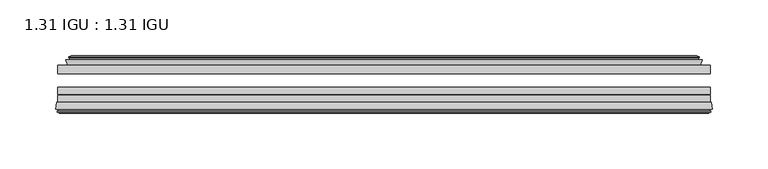
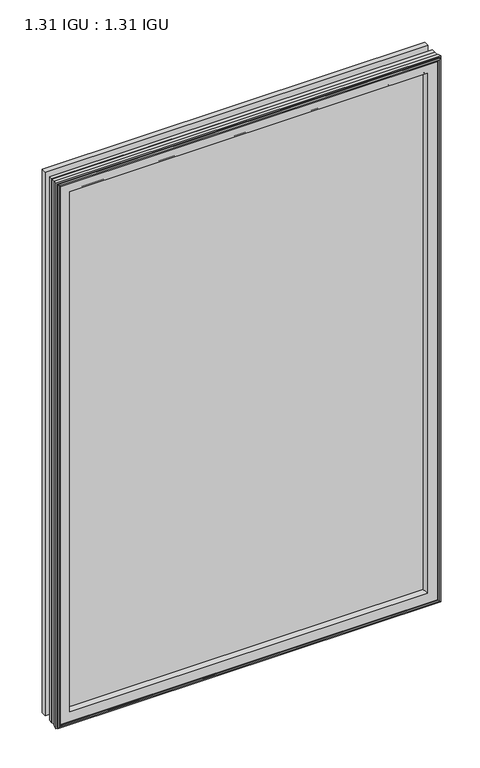
"""IFC4 building model written with IfcOpenShell, lengths in millimetres: plate geometry, 1.31 IGU : 1.31 IGU."""

from ifc_helpers import new_model, si_unit, frame, origin, place, context, project, spatial, polyline, ellipse_curve, outline, extrude, faceted_brep, source, transform, mapped, element, save
from ifc_brep_helpers import plane_surface, revolved_surface, advanced_brep


def plate_1_31_igu_1_31_igu_6c1cfb9a(model_context):
    return source(origin(), model_context, "Body", "SolidModel", [
        extrude(outline(polyline([(292.1, -17.9712937), (292.1, -25.8960937), (-292.1, -25.8960937), (-292.1, -17.9712937), (292.1, -17.9712937)])), frame((0.0, 0.0, -19.05), z_axis=(0.0, 0.0, 1.0), x_axis=(1.0, 0.0, 0.0)), (0.0, 0.0, 1.0), 876.3),
        extrude(outline(polyline([(-292.1, -51.2960937), (-292.1, -44.9460937), (292.1, -44.9460937), (292.1, -51.2960937), (-292.1, -51.2960937)])), frame((0.0, 0.0, -19.05), z_axis=(0.0, 0.0, 1.0), x_axis=(1.0, 0.0, 0.0)), (0.0, 0.0, 1.0), 876.3),
        extrude(outline(polyline([(-292.1, -44.1586938), (-292.1, -37.8086938), (292.1, -37.8086938), (292.1, -44.1586938), (-292.1, -44.1586938)])), frame((0.0, 0.0, -19.05), z_axis=(0.0, 0.0, 1.0), x_axis=(1.0, 0.0, 0.0)), (0.0, 0.0, 1.0), 876.3),
        faceted_brep([(-283.1814005, -17.9712937, 848.3314005), (-284.8256337, -13.1960937, 849.9756337), (-284.8256337, -13.1960937, -11.7756337), (-283.1814005, -17.9712937, -10.1314005), (-273.5707, -13.1960937, 838.7207), (-272.4012695, -17.9712937, 837.5512695), (-272.4012695, -17.9712937, 0.6487305), (-273.5707, -13.1960937, -0.5207), (-279.1354203, -10.902778, 844.2854203), (-278.5209281, -13.1960937, 843.6709281), (-278.5209281, -13.1960937, -5.4709281), (-279.1354203, -10.902778, -6.0854203), (-277.7431709, -11.27583, 842.8931709), (-277.7431709, -11.27583, -4.6931709), (-277.5118537, -10.4125422, 842.6618537), (-277.5118537, -10.4125422, -4.4618537), (-279.9207, -9.7670937, 845.0707), (-279.9207, -9.7670937, -6.8707), (-282.3295463, -10.4125422, 847.4795463), (-282.3295463, -10.4125422, -9.2795463), (-282.0982291, -11.27583, 847.2482291), (-282.0982291, -11.27583, -9.0482291), (-280.7114014, -10.9042307, 845.8614014), (-280.7114014, -10.9042307, -7.6614014), (-281.4560729, -13.1960937, 846.6060729), (-281.4560729, -13.1960937, -8.4060729), (284.8256337, -13.1960937, -11.7756337), (283.1814005, -17.9712937, -10.1314005), (272.4012695, -17.9712937, 0.6487305), (273.5707, -13.1960937, -0.5207), (278.5209281, -13.1960937, -5.4709281), (279.1354203, -10.902778, -6.0854203), (277.7431709, -11.27583, -4.6931709), (277.5118537, -10.4125422, -4.4618537), (279.9207, -9.7670937, -6.8707), (282.3295463, -10.4125422, -9.2795463), (282.0982291, -11.27583, -9.0482291), (280.7114014, -10.9042307, -7.6614014), (281.4560729, -13.1960937, -8.4060729), (284.8256337, -13.1960937, 849.9756337), (283.1814005, -17.9712937, 848.3314005), (272.4012695, -17.9712937, 837.5512695), (273.5707, -13.1960937, 838.7207), (278.5209281, -13.1960937, 843.6709281), (279.1354203, -10.902778, 844.2854203), (277.7431709, -11.27583, 842.8931709), (277.5118537, -10.4125422, 842.6618537), (279.9207, -9.7670937, 845.0707), (282.3295463, -10.4125422, 847.4795463), (282.0982291, -11.27583, 847.2482291), (280.7114014, -10.9042307, 845.8614014), (281.4560729, -13.1960937, 846.6060729)], [[[0, 1, 2, 3]], [[4, 5, 6, 7]], [[8, 9, 10, 11]], [[12, 8, 11, 13]], [[14, 12, 13, 15]], [[16, 14, 15, 17]], [[18, 16, 17, 19]], [[20, 18, 19, 21]], [[22, 20, 21, 23]], [[24, 22, 23, 25]], [[3, 2, 26, 27]], [[7, 6, 28, 29]], [[11, 10, 30, 31]], [[13, 11, 31, 32]], [[15, 13, 32, 33]], [[17, 15, 33, 34]], [[19, 17, 34, 35]], [[21, 19, 35, 36]], [[23, 21, 36, 37]], [[25, 23, 37, 38]], [[27, 26, 39, 40]], [[29, 28, 41, 42]], [[31, 30, 43, 44]], [[32, 31, 44, 45]], [[33, 32, 45, 46]], [[34, 33, 46, 47]], [[35, 34, 47, 48]], [[36, 35, 48, 49]], [[37, 36, 49, 50]], [[38, 37, 50, 51]], [[40, 39, 1, 0]], [[3, 27, 40, 0], [5, 41, 28, 6]], [[42, 41, 5, 4]], [[9, 43, 30, 10], [7, 29, 42, 4]], [[44, 43, 9, 8]], [[45, 44, 8, 12]], [[46, 45, 12, 14]], [[47, 46, 14, 16]], [[48, 47, 16, 18]], [[49, 48, 18, 20]], [[50, 49, 20, 22]], [[51, 50, 22, 24]], [[1, 39, 26, 2], [25, 38, 51, 24]]]),
        advanced_brep(
        [(-269.4126851, -51.2960937, 834.5626851), (-273.05, -57.6460937, 838.2), (-273.05, -57.6460937, 0.0), (-269.4126851, -51.2960937, 3.6373149), (-293.6957783, -57.6460937, 858.8457783), (-292.9160964, -51.2960937, 858.0660964), (-292.9160964, -51.2960937, -19.8660964), (-293.6957783, -57.6460937, -20.6457783), (-291.2957744, -59.6558685, 856.4457744), (-291.7548013, -57.6460937, 856.9048013), (-291.7548013, -57.6460937, -18.7048013), (-291.2957744, -59.6558685, -18.2457744), (-292.2794588, -59.3738016, 857.4294588), (-292.2794588, -59.3738016, -19.2294588), (-292.5329433, -60.2578071, 857.6829433), (-292.5329433, -60.2578071, -19.4829433), (-290.5099998, -60.8378768, 855.6599998), (-290.5099998, -60.8378768, -17.4599998), (-288.4663389, -60.2902795, 853.6163389), (-288.4663389, -60.2902795, -15.4163389), (-288.7112083, -59.3764147, 853.8612083), (-288.7112083, -59.3764147, -15.6612083), (-289.7338421, -59.6504286, 854.8838421), (-289.7338421, -59.6504286, -16.6838421), (-289.2711049, -57.6460937, 854.4211049), (-289.2711049, -57.6460937, -16.2211049), (273.05, -57.6460938, 0.0), (269.4126851, -51.2960937, 3.6373149), (292.9160964, -51.2960937, -19.8660964), (293.6957783, -57.6460938, -20.6457783), (291.7548013, -57.6460938, -18.7048013), (291.2957744, -59.6558685, -18.2457744), (292.2794588, -59.3738016, -19.2294588), (292.5329433, -60.2578071, -19.4829433), (290.5099998, -60.8378768, -17.4599998), (288.4663389, -60.2902795, -15.4163389), (288.7112083, -59.3764147, -15.6612083), (289.7338421, -59.6504286, -16.6838421), (289.2711049, -57.6460938, -16.2211049), (273.05, -57.6460938, 838.2), (269.4126851, -51.2960937, 834.5626851), (292.9160964, -51.2960937, 858.0660964), (293.6957783, -57.6460938, 858.8457783), (291.7548013, -57.6460938, 856.9048013), (291.2957744, -59.6558685, 856.4457744), (292.2794588, -59.3738016, 857.4294588), (292.5329433, -60.2578071, 857.6829433), (290.5099998, -60.8378768, 855.6599998), (288.4663389, -60.2902795, 853.6163389), (288.7112083, -59.3764147, 853.8612083), (289.7338421, -59.6504286, 854.8838421), (289.2711049, -57.6460938, 854.4211049)],
        [
            (0, 1, ellipse_curve(frame((-264.619055, -58.2586484, 829.769055), z_axis=(0.7071067811865475, 0.0, 0.7071067811865475), x_axis=(0.7071067811865474, 0.0, -0.7071067811865476)), 11.9545855, 8.4531685)),
            (1, 2),
            (2, 3, ellipse_curve(frame((-264.619055, -58.2586484, 8.430945), z_axis=(0.7071067811865475, 0.0, -0.7071067811865475), x_axis=(-0.7071067811865474, 0.0, -0.7071067811865476)), 11.9545855, 8.4531685)),
            (3, 0),
            (4, 5),
            (5, 6),
            (6, 7),
            (7, 4),
            (8, 9),
            (9, 10),
            (10, 11),
            (11, 8),
            (12, 8),
            (11, 13),
            (13, 12),
            (14, 12),
            (13, 15),
            (15, 14),
            (16, 14),
            (15, 17),
            (17, 16),
            (18, 16),
            (17, 19),
            (19, 18),
            (20, 18),
            (19, 21),
            (21, 20),
            (22, 20),
            (21, 23),
            (23, 22),
            (24, 22),
            (23, 25),
            (25, 24),
            (2, 26),
            (26, 27, ellipse_curve(frame((264.619055, -58.2586484, 8.430945), z_axis=(0.7071067811865475, 0.0, 0.7071067811865475), x_axis=(0.7071067811865476, 0.0, -0.7071067811865474)), 11.9545855, 8.4531685)),
            (27, 3),
            (6, 28),
            (28, 29),
            (29, 7),
            (10, 30),
            (30, 31),
            (31, 11),
            (31, 32),
            (32, 13),
            (32, 33),
            (33, 15),
            (33, 34),
            (34, 17),
            (34, 35),
            (35, 19),
            (35, 36),
            (36, 21),
            (36, 37),
            (37, 23),
            (37, 38),
            (38, 25),
            (26, 39),
            (39, 40, ellipse_curve(frame((264.619055, -58.2586484, 829.769055), z_axis=(-0.7071067811865475, 0.0, 0.7071067811865475), x_axis=(0.7071067811865474, 0.0, 0.7071067811865476)), 11.9545855, 8.4531685)),
            (40, 27),
            (28, 41),
            (41, 42),
            (42, 29),
            (30, 43),
            (43, 44),
            (44, 31),
            (44, 45),
            (45, 32),
            (45, 46),
            (46, 33),
            (46, 47),
            (47, 34),
            (47, 48),
            (48, 35),
            (48, 49),
            (49, 36),
            (49, 50),
            (50, 37),
            (50, 51),
            (51, 38),
            (51, 24),
            (1, 39),
            (0, 40),
            (5, 41),
            (4, 42),
            (9, 43),
            (8, 44),
            (12, 45),
            (14, 46),
            (16, 47),
            (18, 48),
            (20, 49),
            (22, 50),
        ],
        [
            revolved_surface(polyline([(-273.0722235, -58.2586484, -0.02222347332440222), (-273.0722235, -58.2586484, 838.2222234733243)]), (-264.619055, -58.2586484, 869.95), (0.0, 0.0, -1.0)),
            plane_surface(frame((-292.9160964, -51.2960937, 858.0660964), z_axis=(-0.9925461516413234, 0.12186934340513635, 0.0), x_axis=(0.0, 0.0, -1.0))),
            plane_surface(frame((-291.7548013, -57.6460937, 856.9048013), z_axis=(-0.9748953990049444, -0.22266333555165796, 0.0), x_axis=(0.0, 0.0, -1.0))),
            plane_surface(frame((-291.2957744, -59.6558685, 856.4457744), z_axis=(0.27563735581726606, 0.9612616959382424, 0.0), x_axis=(0.0, 0.0, -1.0))),
            plane_surface(frame((-292.2794588, -59.3738016, 857.4294588), z_axis=(-0.9612616959382463, 0.2756373558172523, 0.0), x_axis=(0.0, 0.0, -1.0))),
            plane_surface(frame((-292.5329433, -60.2578071, 857.6829433), z_axis=(-0.2756373558170135, -0.9612616959383148, 0.0), x_axis=(0.0, 0.0, -1.0))),
            plane_surface(frame((-290.5099998, -60.8378768, 855.6599998), z_axis=(0.25881904510226056, -0.965925826289138, 0.0), x_axis=(0.0, 0.0, -1.0))),
            plane_surface(frame((-288.4663389, -60.2902795, 853.6163389), z_axis=(0.9659258262891444, 0.25881904510223736, 0.0), x_axis=(0.0, 0.0, -1.0))),
            plane_surface(frame((-288.7112083, -59.3764147, 853.8612083), z_axis=(-0.2588190451025015, 0.9659258262890735, 0.0), x_axis=(0.0, 0.0, -1.0))),
            plane_surface(frame((-289.7338421, -59.6504286, 854.8838421), z_axis=(0.9743700647852117, -0.22495105434396692, 0.0), x_axis=(0.0, 0.0, -1.0))),
            revolved_surface(polyline([(273.0722234733244, -58.2586484, -0.02222350000000084), (-273.07222347332436, -58.2586484, -0.02222350000000084)]), (-304.8, -58.2586484, 8.430945), (1.0, 0.0, 0.0)),
            plane_surface(frame((-292.9160964, -51.2960937, -19.8660964), z_axis=(0.0, 0.12186934340513315, -0.9925461516413239), x_axis=(1.0, 0.0, 0.0))),
            plane_surface(frame((-291.7548013, -57.6460937, -18.7048013), z_axis=(0.0, -0.2226633355516611, -0.9748953990049437), x_axis=(1.0, 0.0, 0.0))),
            plane_surface(frame((-291.2957744, -59.6558685, -18.2457744), z_axis=(0.0, 0.9612616959382433, 0.27563735581726295), x_axis=(1.0, 0.0, 0.0))),
            plane_surface(frame((-292.2794588, -59.3738016, -19.2294588), z_axis=(0.0, 0.2756373558172492, -0.9612616959382472), x_axis=(1.0, 0.0, 0.0))),
            plane_surface(frame((-292.5329433, -60.2578071, -19.4829433), z_axis=(0.0, -0.9612616959383157, -0.2756373558170104), x_axis=(1.0, 0.0, 0.0))),
            plane_surface(frame((-290.5099998, -60.8378768, -17.4599998), z_axis=(0.0, -0.9659258262891373, 0.2588190451022637), x_axis=(1.0, 0.0, 0.0))),
            plane_surface(frame((-288.4663389, -60.2902795, -15.4163389), z_axis=(0.0, 0.25881904510224046, 0.9659258262891435), x_axis=(1.0, 0.0, 0.0))),
            plane_surface(frame((-288.7112083, -59.3764147, -15.6612083), z_axis=(0.0, 0.9659258262890726, -0.2588190451025046), x_axis=(1.0, 0.0, 0.0))),
            plane_surface(frame((-289.7338421, -59.6504286, -16.6838421), z_axis=(0.0, -0.22495105434396379, 0.9743700647852125), x_axis=(1.0, 0.0, 0.0))),
            revolved_surface(polyline([(273.0722235, -58.2586484, 838.2222234733243), (273.0722235, -58.2586484, -0.022223473324370246)]), (264.619055, -58.2586484, -31.75), (0.0, 0.0, 1.0)),
            plane_surface(frame((292.9160964, -51.2960937, -19.8660964), z_axis=(0.9925461516413243, 0.12186934340512996, 0.0), x_axis=(0.0, 0.0, 1.0))),
            plane_surface(frame((291.7548013, -57.6460938, -18.7048013), z_axis=(0.974895399004943, -0.22266333555166423, 0.0), x_axis=(0.0, 0.0, 1.0))),
            plane_surface(frame((291.2957744, -59.6558685, -18.2457744), z_axis=(-0.27563735581725984, 0.9612616959382442, 0.0), x_axis=(0.0, 0.0, 1.0))),
            plane_surface(frame((292.2794588, -59.3738016, -19.2294588), z_axis=(0.9612616959382481, 0.2756373558172461, 0.0), x_axis=(0.0, 0.0, 1.0))),
            plane_surface(frame((292.5329433, -60.2578071, -19.4829433), z_axis=(0.27563735581700727, -0.9612616959383166, 0.0), x_axis=(0.0, 0.0, 1.0))),
            plane_surface(frame((290.5099998, -60.8378768, -17.4599998), z_axis=(-0.25881904510226683, -0.9659258262891364, 0.0), x_axis=(0.0, 0.0, 1.0))),
            plane_surface(frame((288.4663389, -60.2902795, -15.4163389), z_axis=(-0.9659258262891426, 0.2588190451022436, 0.0), x_axis=(0.0, 0.0, 1.0))),
            plane_surface(frame((288.7112083, -59.3764147, -15.6612083), z_axis=(0.2588190451025077, 0.9659258262890718, 0.0), x_axis=(0.0, 0.0, 1.0))),
            plane_surface(frame((289.7338421, -59.6504286, -16.6838421), z_axis=(-0.9743700647852133, -0.22495105434396065, 0.0), x_axis=(0.0, 0.0, 1.0))),
            plane_surface(frame((289.2711049, -57.6460938, 854.4211049), z_axis=(0.0, -1.0, 0.0), x_axis=(-1.0, 0.0, 0.0))),
            revolved_surface(polyline([(-273.0722234733244, -58.2586484, 838.2222234999999), (273.07222347332436, -58.2586484, 838.2222234999999)]), (304.8, -58.2586484, 829.769055), (-1.0, 0.0, 0.0)),
            plane_surface(frame((269.4126851, -51.2960937, 834.5626851), z_axis=(0.0, 1.0, 0.0), x_axis=(-1.0, 0.0, 0.0))),
            plane_surface(frame((292.9160964, -51.2960937, 858.0660964), z_axis=(0.0, 0.12186934340513315, 0.9925461516413239), x_axis=(-1.0, 0.0, 0.0))),
            plane_surface(frame((293.6957783, -57.6460938, 858.8457783), z_axis=(0.0, -1.0, 0.0), x_axis=(-1.0, 0.0, 0.0))),
            plane_surface(frame((291.7548013, -57.6460938, 856.9048013), z_axis=(0.0, -0.2226633355516611, 0.9748953990049437), x_axis=(-1.0, 0.0, 0.0))),
            plane_surface(frame((291.2957744, -59.6558685, 856.4457744), z_axis=(0.0, 0.9612616959382433, -0.27563735581726295), x_axis=(-1.0, 0.0, 0.0))),
            plane_surface(frame((292.2794588, -59.3738016, 857.4294588), z_axis=(0.0, 0.2756373558172492, 0.9612616959382472), x_axis=(-1.0, 0.0, 0.0))),
            plane_surface(frame((292.5329433, -60.2578071, 857.6829433), z_axis=(0.0, -0.9612616959383157, 0.2756373558170104), x_axis=(-1.0, 0.0, 0.0))),
            plane_surface(frame((290.5099998, -60.8378768, 855.6599998), z_axis=(0.0, -0.9659258262891373, -0.2588190451022637), x_axis=(-1.0, 0.0, 0.0))),
            plane_surface(frame((288.4663389, -60.2902795, 853.6163389), z_axis=(0.0, 0.25881904510224046, -0.9659258262891435), x_axis=(-1.0, 0.0, 0.0))),
            plane_surface(frame((288.7112083, -59.3764147, 853.8612083), z_axis=(0.0, 0.9659258262890726, 0.2588190451025046), x_axis=(-1.0, 0.0, 0.0))),
            plane_surface(frame((289.7338421, -59.6504286, 854.8838421), z_axis=(0.0, -0.22495105434396379, -0.9743700647852125), x_axis=(-1.0, 0.0, 0.0))),
        ],
        [
            (0, [[1, 2, 3, 4]]),
            (1, [[5, 6, 7, 8]]),
            (2, [[9, 10, 11, 12]]),
            (3, [[13, -12, 14, 15]]),
            (4, [[16, -15, 17, 18]]),
            (5, [[19, -18, 20, 21]]),
            (6, [[22, -21, 23, 24]]),
            (7, [[25, -24, 26, 27]]),
            (8, [[28, -27, 29, 30]]),
            (9, [[31, -30, 32, 33]]),
            (10, [[-3, 34, 35, 36]]),
            (11, [[-7, 37, 38, 39]]),
            (12, [[-11, 40, 41, 42]]),
            (13, [[-14, -42, 43, 44]]),
            (14, [[-17, -44, 45, 46]]),
            (15, [[-20, -46, 47, 48]]),
            (16, [[-23, -48, 49, 50]]),
            (17, [[-26, -50, 51, 52]]),
            (18, [[-29, -52, 53, 54]]),
            (19, [[-32, -54, 55, 56]]),
            (20, [[-35, 57, 58, 59]]),
            (21, [[-38, 60, 61, 62]]),
            (22, [[-41, 63, 64, 65]]),
            (23, [[-43, -65, 66, 67]]),
            (24, [[-45, -67, 68, 69]]),
            (25, [[-47, -69, 70, 71]]),
            (26, [[-49, -71, 72, 73]]),
            (27, [[-51, -73, 74, 75]]),
            (28, [[-53, -75, 76, 77]]),
            (29, [[-55, -77, 78, 79]]),
            (30, [[-56, -79, 80, -33], [81, -57, -34, -2]]),
            (31, [[-58, -81, -1, 82]]),
            (32, [[83, -60, -37, -6], [-36, -59, -82, -4]]),
            (33, [[-61, -83, -5, 84]]),
            (34, [[-39, -62, -84, -8], [85, -63, -40, -10]]),
            (35, [[-64, -85, -9, 86]]),
            (36, [[-66, -86, -13, 87]]),
            (37, [[-68, -87, -16, 88]]),
            (38, [[-70, -88, -19, 89]]),
            (39, [[-72, -89, -22, 90]]),
            (40, [[-74, -90, -25, 91]]),
            (41, [[-76, -91, -28, 92]]),
            (42, [[-78, -92, -31, -80]]),
        ],
    ),
    ])


if __name__ == "__main__":
    model = new_model("IFC4")
    model_context = context("Model", 3, world=origin())
    ifc_project = project(units=[si_unit("LENGTHUNIT", "METRE", prefix="MILLI")], contexts=[model_context])
    site = spatial("IfcSite", under=ifc_project)
    building = spatial("IfcBuilding", under=site)
    placement = place(None, origin())
    plate_1_31_igu_1_31_igu_shape = plate_1_31_igu_1_31_igu_6c1cfb9a(model_context)
    element("IfcPlate", 1, ObjectType="1.31 IGU : 1.31 IGU", at=placement, inside=building, context=model_context, shape_type="MappedRepresentation", body=[
        mapped(plate_1_31_igu_1_31_igu_shape, transform((0.0, 0.0, 0.0), x_axis=(1.0, 0.0, 0.0), y_axis=(0.0, 1.0, 0.0), z_axis=(0.0, 0.0, 1.0))),
    ])
    save(model, "model.ifc")
